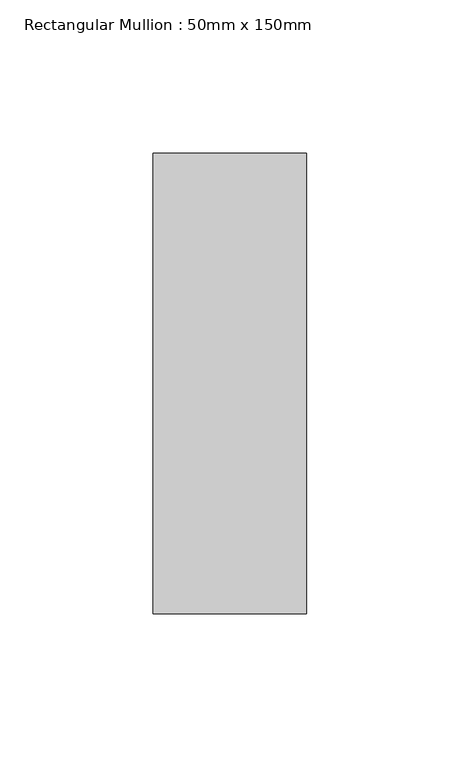
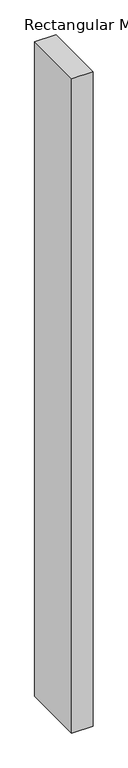
"""IFC4 building model written with IfcOpenShell, lengths in millimetres: member geometry, Rectangular Mullion : 50mm x 150mm."""

from ifc_helpers import new_model, si_unit, frame, origin, place, context, project, spatial, polyline, outline, extrude, source, transform, mapped, element, save


def rectangular_mullion_50mm_x_150mm_ba436913(model_context):
    return source(origin(), model_context, "Body", "SweptSolid", [
        extrude(outline(polyline([(25.0, 75.0), (25.0, -75.0), (-25.0, -75.0), (-25.0, 75.0), (25.0, 75.0)])), frame((0.0, 0.0, -1617.368421), z_axis=(0.0, 0.0, 1.0), x_axis=(1.0, 0.0, 0.0)), (0.0, 0.0, 1.0), 1617.368421),
    ])


if __name__ == "__main__":
    model = new_model("IFC4")
    model_context = context("Model", 3, world=origin())
    ifc_project = project(units=[si_unit("LENGTHUNIT", "METRE", prefix="MILLI")], contexts=[model_context])
    site = spatial("IfcSite", under=ifc_project)
    building = spatial("IfcBuilding", under=site)
    placement = place(None, origin())
    rectangular_mullion_50mm_x_150mm_shape = rectangular_mullion_50mm_x_150mm_ba436913(model_context)
    element("IfcMember", 1, ObjectType="Rectangular Mullion : 50mm x 150mm", at=placement, inside=building, context=model_context, shape_type="MappedRepresentation", body=[
        mapped(rectangular_mullion_50mm_x_150mm_shape, transform((0.0, 0.0, 0.0), x_axis=(1.0, 0.0, 0.0), y_axis=(0.0, 1.0, 0.0), z_axis=(0.0, 0.0, 1.0))),
    ])
    save(model, "model.ifc")
